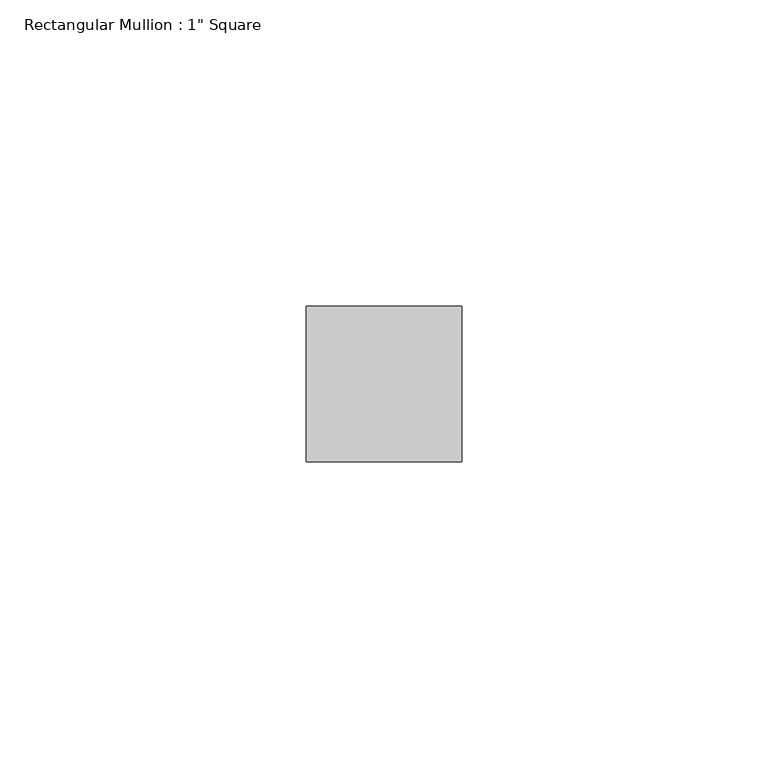
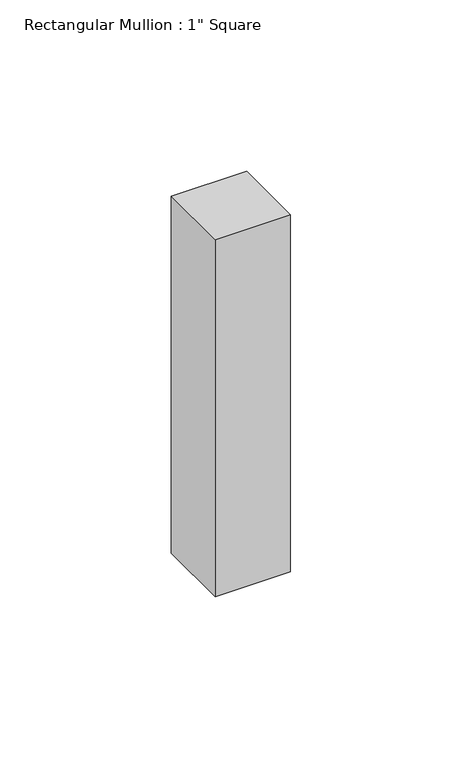
"""IFC4 building model written with IfcOpenShell, lengths in millimetres: member geometry."""

from ifc_helpers import new_model, si_unit, frame, origin, place, context, project, spatial, polyline, outline, extrude, source, transform, mapped, element, save


def member_4ec4fa50(model_context):
    return source(origin(), model_context, "Body", "SweptSolid", [
        extrude(outline(polyline([(0.0, 12.7), (0.0, -12.7), (-25.4, -12.7), (-25.4, 12.7), (0.0, 12.7)])), frame((0.0, 0.0, -127.0), z_axis=(0.0, 0.0, 1.0), x_axis=(1.0, 0.0, 0.0)), (0.0, 0.0, 1.0), 127.0),
    ])


if __name__ == "__main__":
    model = new_model("IFC4")
    model_context = context("Model", 3, world=origin())
    ifc_project = project(units=[si_unit("LENGTHUNIT", "METRE", prefix="MILLI")], contexts=[model_context])
    site = spatial("IfcSite", under=ifc_project)
    building = spatial("IfcBuilding", under=site)
    placement = place(None, origin())
    member_shape = member_4ec4fa50(model_context)
    element("IfcMember", 1, ObjectType="Rectangular Mullion : 1\" Square", at=placement, inside=building, context=model_context, shape_type="MappedRepresentation", body=[
        mapped(member_shape, transform((0.0, 0.0, 0.0), x_axis=(1.0, 0.0, 0.0), y_axis=(0.0, 1.0, 0.0), z_axis=(0.0, 0.0, 1.0))),
    ])
    save(model, "model.ifc")
